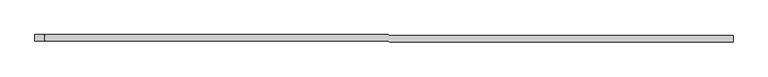
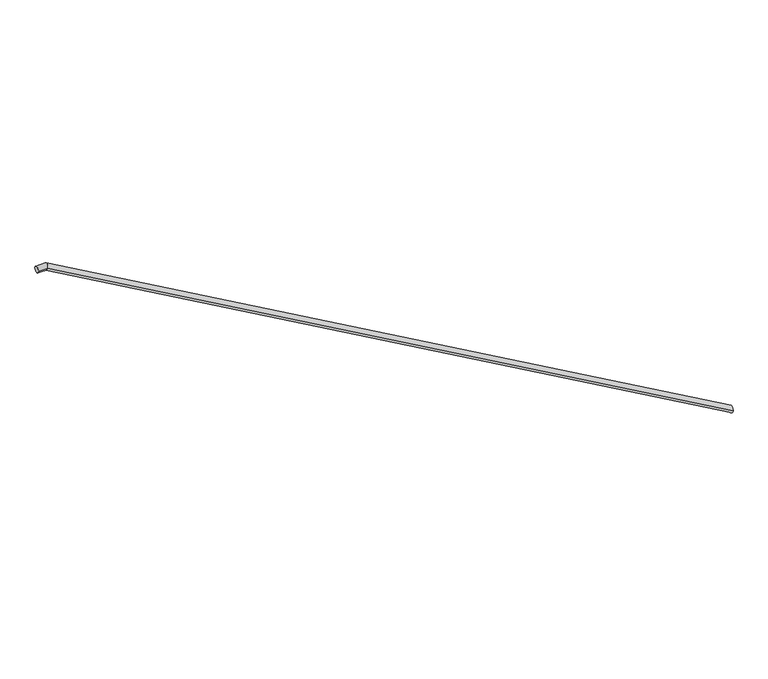
"""IFC4 building model written with IfcOpenShell, lengths in millimetres: railing geometry."""

from ifc_helpers import new_model, si_unit, frame, origin, place, context, project, spatial, circle_curve, ellipse_curve, source, transform, mapped, element, save
from ifc_brep_helpers import plane_surface, cylinder_surface, advanced_brep


def railing_2824400c(model_context):
    return source(origin(), model_context, "Body", "AdvancedBrep", [
        advanced_brep(
        [(-41995.2717777, -40542.4826383, -8685.7828742), (-41995.3177412, -40582.4826119, -8685.7828742), (-46327.2072042, -40537.5048686, -6220.0), (-46327.2531676, -40577.5048422, -6220.0), (-46384.9552466, -40537.4385111, -6220.0), (-46385.00121, -40577.4384847, -6220.0)],
        [
            (0, 1, ellipse_curve(frame((-41995.2947594, -40562.4826251, -8685.7828742), z_axis=(0.9999993398004514, -0.0011490860113383637, 0.0), x_axis=(0.0, 0.0, -1.0)), 23.0130406, 20.0)),
            (1, 0, ellipse_curve(frame((-41995.2947594, -40562.4826251, -8685.7828742), z_axis=(0.9999993398004514, -0.0011490860113383637, 0.0), x_axis=(0.0, 0.0, -1.0)), 23.0130406, 20.0)),
            (0, 2),
            (2, 3, ellipse_curve(frame((-46327.2301859, -40557.5048554, -6220.0), z_axis=(0.9667135043900305, -0.0011108376982613265, -0.2558588799896432), x_axis=(-0.2558587110717255, 0.0002940038599495287, -0.9667141426142711)), 20.6886391, 20.0)),
            (3, 1),
            (3, 2, ellipse_curve(frame((-46327.2301859, -40557.5048554, -6220.0), z_axis=(0.9667135043900305, -0.0011108376982613265, -0.2558588799896432), x_axis=(-0.2558587110717255, 0.0002940038599495287, -0.9667141426142711)), 20.6886391, 20.0)),
            (4, 5, circle_curve(frame((-46384.9782283, -40557.4384979, -6220.0), z_axis=(-0.9999993398004514, 0.0011490860113776275, 0.0), x_axis=(-0.0011490860113776275, -0.9999993398004514, 0.0)), 20.0)),
            (5, 4, circle_curve(frame((-46384.9782283, -40557.4384979, -6220.0), z_axis=(-0.9999993398004514, 0.0011490860113776275, 0.0), x_axis=(-0.0011490860113776275, -0.9999993398004514, 0.0)), 20.0)),
            (2, 4),
            (5, 3),
        ],
        [
            plane_surface(frame((-41995.2947594, -40562.4826251, -8685.7828742), z_axis=(0.9999993398004514, -0.0011490860113383637, 0.0), x_axis=(-0.0011490860113383637, -0.9999993398004514, 0.0))),
            cylinder_surface(frame((-41995.2947594, -40562.4826251, -8685.7828742), z_axis=(0.8690718932996402, -0.0009986390147389901, -0.4946847955988716), x_axis=(-0.0011490860113383633, -0.9999993398004514, 0.0)), 20.0),
            plane_surface(frame((-46384.9782283, -40557.4384979, -6220.0), z_axis=(-0.9999993398004513, 0.0011490860113776283, 0.0), x_axis=(-0.0011490860113776283, -0.9999993398004513, 0.0))),
            cylinder_surface(frame((-46327.2301859, -40557.5048554, -6220.0), z_axis=(0.9999993398004514, -0.0011490860113776275, 0.0), x_axis=(-0.0011490860113776275, -0.9999993398004514, 0.0)), 20.0),
        ],
        [
            (0, [[1, 2]]),
            (1, [[-1, 3, 4, 5]]),
            (1, [[-2, -5, 6, -3]]),
            (2, [[7, 8]]),
            (3, [[-4, 9, -8, 10]]),
            (3, [[-6, -10, -7, -9]]),
        ],
    ),
    ])


if __name__ == "__main__":
    model = new_model("IFC4")
    model_context = context("Model", 3, world=origin())
    ifc_project = project(units=[si_unit("LENGTHUNIT", "METRE", prefix="MILLI")], contexts=[model_context])
    site = spatial("IfcSite", under=ifc_project)
    building = spatial("IfcBuilding", under=site)
    placement = place(None, origin())
    railing_shape = railing_2824400c(model_context)
    element("IfcRailing", 1, at=placement, inside=building, context=model_context, shape_type="MappedRepresentation", body=[
        mapped(railing_shape, transform((0.0, 0.0, 0.0), x_axis=(1.0, 0.0, 0.0), y_axis=(0.0, 1.0, 0.0), z_axis=(0.0, 0.0, 1.0))),
    ])
    save(model, "model.ifc")
